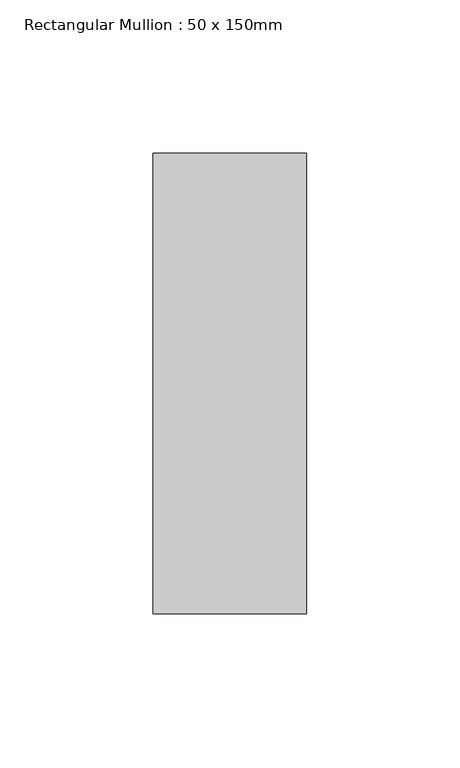
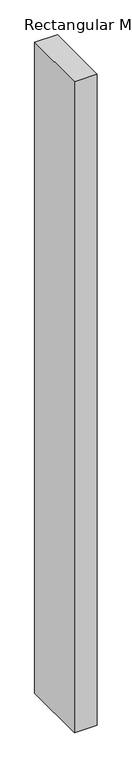
"""IFC4 building model written with IfcOpenShell, lengths in millimetres: member geometry, Rectangular Mullion : 50 x 150mm."""

from ifc_helpers import new_model, si_unit, frame, origin, place, context, project, spatial, polyline, outline, extrude, source, transform, mapped, element, save


def rectangular_mullion_50_x_150mm_3273c7d7(model_context):
    return source(origin(), model_context, "Body", "SweptSolid", [
        extrude(outline(polyline([(25.0, 75.0), (25.0, -75.0), (-25.0, -75.0), (-25.0, 75.0), (25.0, 75.0)])), frame((0.0, 0.0, -1502.9872634), z_axis=(0.0, 0.0, 1.0), x_axis=(1.0, 0.0, 0.0)), (0.0, 0.0, 1.0), 1502.9872634),
    ])


if __name__ == "__main__":
    model = new_model("IFC4")
    model_context = context("Model", 3, world=origin())
    ifc_project = project(units=[si_unit("LENGTHUNIT", "METRE", prefix="MILLI")], contexts=[model_context])
    site = spatial("IfcSite", under=ifc_project)
    building = spatial("IfcBuilding", under=site)
    placement = place(None, origin())
    rectangular_mullion_50_x_150mm_shape = rectangular_mullion_50_x_150mm_3273c7d7(model_context)
    element("IfcMember", 1, ObjectType="Rectangular Mullion : 50 x 150mm", at=placement, inside=building, context=model_context, shape_type="MappedRepresentation", body=[
        mapped(rectangular_mullion_50_x_150mm_shape, transform((0.0, 0.0, 0.0), x_axis=(1.0, 0.0, 0.0), y_axis=(0.0, 1.0, 0.0), z_axis=(0.0, 0.0, 1.0))),
    ])
    save(model, "model.ifc")
